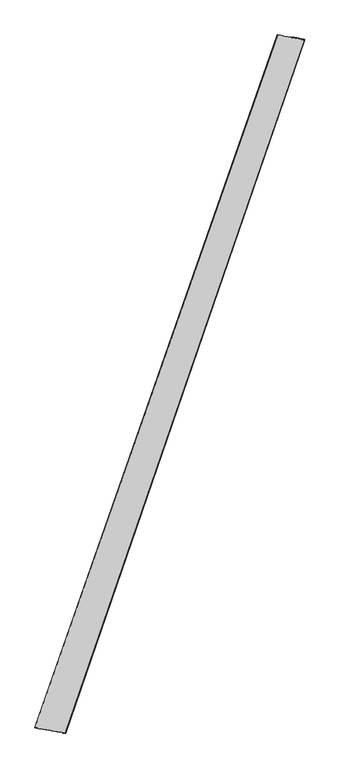
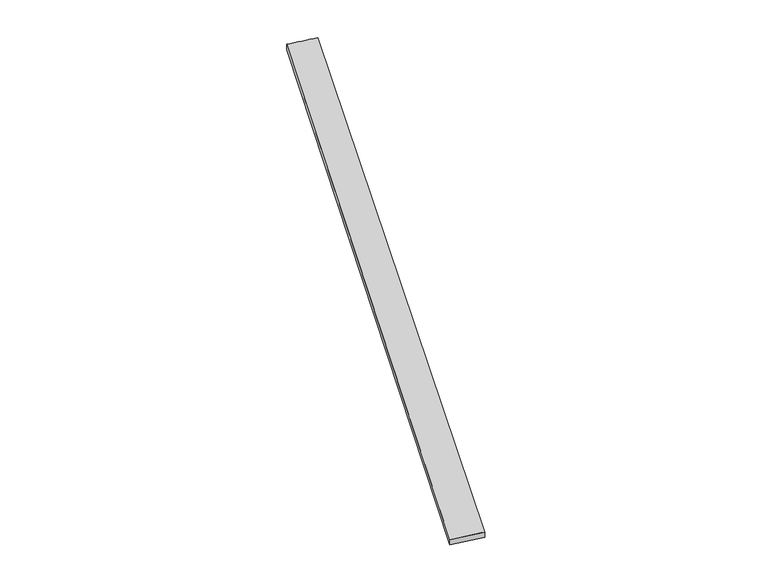
"""IFC4 building model written with IfcOpenShell, lengths in millimetres: proxy geometry."""

from ifc_helpers import new_model, si_unit, origin, place, context, project, spatial, source, transform, mapped, element, save
from ifc_brep_helpers import spline_surface, advanced_brep


def generic_models_a3952b0f(model_context):
    return source(origin(), model_context, "Body", "AdvancedBrep", [
        advanced_brep(
        [(-675.5949198, -1711.5071303, -0.2221499), (-675.5582394, -1711.5236795, 29.7778232), (665.2001084, 2118.8637018, 30.2404965), (665.9303082, 2118.6116448, 0.2504436), (-506.6506633, -1740.1254362, 30.2206548), (816.9018933, 2092.8259494, 29.7355155), (-506.3686041, -1740.2264374, 0.2221508), (816.0332157, 2093.1219229, -0.2504445)],
        [
            (0, 1),
            (1, 2),
            (2, 3),
            (3, 0),
            (1, 4),
            (4, 5),
            (5, 2),
            (4, 6),
            (6, 7),
            (7, 5),
            (6, 0),
            (3, 7),
        ],
        [
            spline_surface(1, 1, [[(-675.5949198, -1711.5071303, -0.2221499), (665.9303082, 2118.6116448, 0.2504436)], [(-675.5582394, -1711.5236795, 29.7778232), (665.2001084, 2118.8637018, 30.2404965)]], [2, 2], [2, 2], [0.0, 1.0], [0.0, 1.0]),
            spline_surface(1, 1, [[(-675.5582394, -1711.5236795, 29.7778232), (665.2001084, 2118.8637018, 30.2404965)], [(-506.6506633, -1740.1254362, 30.2206548), (816.9018933, 2092.8259494, 29.7355155)]], [2, 2], [2, 2], [0.0, 1.0], [0.0, 1.0]),
            spline_surface(1, 1, [[(-506.6506633, -1740.1254362, 30.2206548), (816.9018933, 2092.8259494, 29.7355155)], [(-506.3686041, -1740.2264374, 0.2221508), (816.0332157, 2093.1219229, -0.2504445)]], [2, 2], [2, 2], [0.0, 1.0], [0.0, 1.0]),
            spline_surface(1, 1, [[(-506.3686041, -1740.2264374, 0.2221508), (816.0332157, 2093.1219229, -0.2504445)], [(-675.5949198, -1711.5071303, -0.2221499), (665.9303082, 2118.6116448, 0.2504436)]], [2, 2], [2, 2], [0.0, 1.0], [0.0, 1.0]),
            spline_surface(1, 1, [[(665.2001084, 2118.8637018, 30.2404965), (665.9303082, 2118.6116448, 0.2504436)], [(816.9018933, 2092.8259494, 29.7355155), (816.0332157, 2093.1219229, -0.2504445)]], [2, 2], [2, 2], [0.0, 1.0], [0.0, 1.0]),
            spline_surface(1, 1, [[(-506.3686041, -1740.2264374, 0.2221508), (-675.5949198, -1711.5071303, -0.2221499)], [(-506.6506633, -1740.1254362, 30.2206548), (-675.5582394, -1711.5236795, 29.7778232)]], [2, 2], [2, 2], [0.0, 1.0], [0.0, 1.0]),
        ],
        [
            (0, [[1, 2, 3, 4]]),
            (1, [[5, 6, 7, -2]]),
            (2, [[8, 9, 10, -6]]),
            (3, [[11, -4, 12, -9]]),
            (4, [[-3, -7, -10, -12]]),
            (5, [[-11, -8, -5, -1]]),
        ],
    ),
    ])


if __name__ == "__main__":
    model = new_model("IFC4")
    model_context = context("Model", 3, world=origin())
    ifc_project = project(units=[si_unit("LENGTHUNIT", "METRE", prefix="MILLI")], contexts=[model_context])
    site = spatial("IfcSite", under=ifc_project)
    building = spatial("IfcBuilding", under=site)
    placement = place(None, origin())
    generic_models_shape = generic_models_a3952b0f(model_context)
    element("IfcBuildingElementProxy", 1, Name="Generic Models", at=placement, inside=building, context=model_context, shape_type="MappedRepresentation", body=[
        mapped(generic_models_shape, transform((0.0, 0.0, 0.0), x_axis=(1.0, 0.0, 0.0), y_axis=(0.0, 1.0, 0.0), z_axis=(0.0, 0.0, 1.0))),
    ])
    save(model, "model.ifc")
